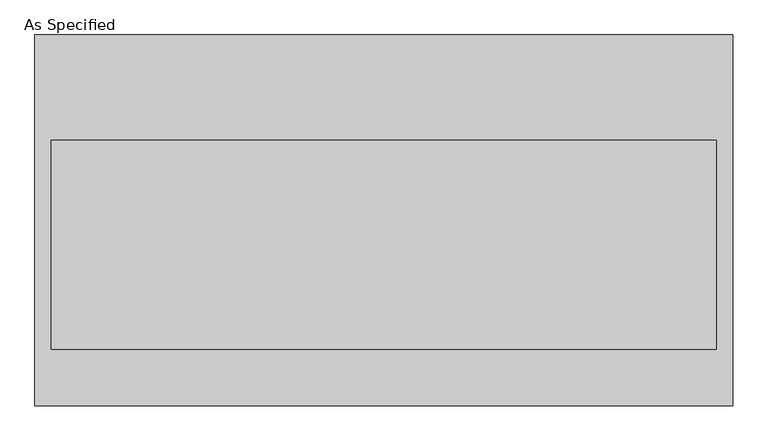
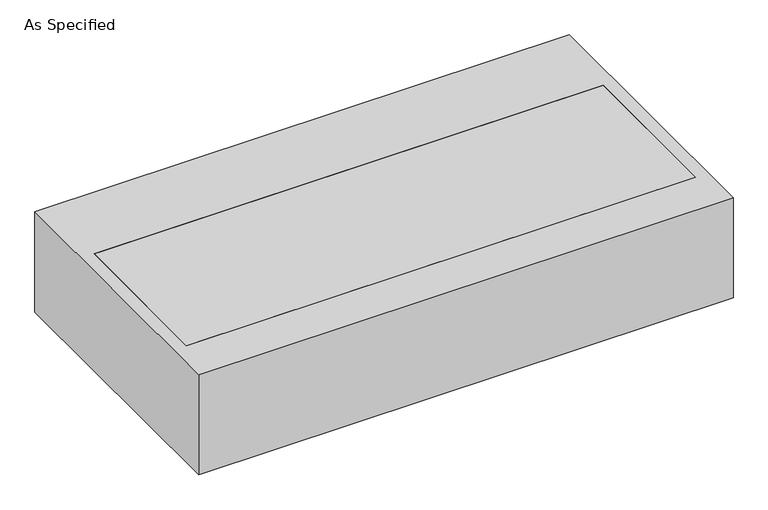
"""IFC4 building model written with IfcOpenShell, lengths in millimetres: proxy geometry, As Specified."""

from ifc_helpers import new_model, si_unit, frame, origin, place, context, project, spatial, polyline, outline, extrude, faceted_brep, source, transform, mapped, element, save


def as_specified_9fc5d100(model_context):
    return source(origin(), model_context, "Body", "SolidModel", [
        faceted_brep([(-1273.175, 676.275, -25.4), (-1273.175, 676.275, -530.225), (-1273.175, -676.275, -530.225), (-1273.175, -676.275, -25.4), (-1212.85, 292.1, -25.4), (-1212.85, -469.9, -25.4), (-1212.85, -469.9, -373.0625), (-1212.85, 292.1, -373.0625), (1273.175, 676.275, -25.4), (1273.175, -676.275, -25.4), (1212.85, 292.1, -25.4), (1212.85, -469.9, -25.4), (1273.175, -676.275, -530.225), (1273.175, 676.275, -530.225), (1212.85, 292.1, -373.0625), (1212.85, -469.9, -373.0625)], [[[0, 1, 2, 3]], [[4, 5, 6, 7]], [[8, 0, 3, 9], [5, 4, 10, 11]], [[8, 9, 12, 13]], [[12, 9, 3, 2]], [[13, 12, 2, 1]], [[8, 13, 1, 0]], [[4, 7, 14, 10]], [[7, 6, 15, 14]], [[6, 5, 11, 15]], [[11, 10, 14, 15]]]),
        extrude(outline(polyline([(1212.85, 292.1), (1212.85, -469.9), (-1212.85, -469.9), (-1212.85, 292.1), (1212.85, 292.1)])), frame((0.0, 0.0, -373.0625), z_axis=(0.0, 0.0, 1.0), x_axis=(1.0, 0.0, 0.0)), (0.0, 0.0, 1.0), 347.6625),
    ])


if __name__ == "__main__":
    model = new_model("IFC4")
    model_context = context("Model", 3, world=origin())
    ifc_project = project(units=[si_unit("LENGTHUNIT", "METRE", prefix="MILLI")], contexts=[model_context])
    site = spatial("IfcSite", under=ifc_project)
    building = spatial("IfcBuilding", under=site)
    placement = place(None, origin())
    as_specified_shape = as_specified_9fc5d100(model_context)
    element("IfcBuildingElementProxy", 1, Name="As Specified", ObjectType="As Specified", at=placement, inside=building, context=model_context, shape_type="MappedRepresentation", body=[
        mapped(as_specified_shape, transform((0.0, 0.0, 0.0), x_axis=(1.0, 0.0, 0.0), y_axis=(0.0, 1.0, 0.0), z_axis=(0.0, 0.0, 1.0))),
    ])
    save(model, "model.ifc")
